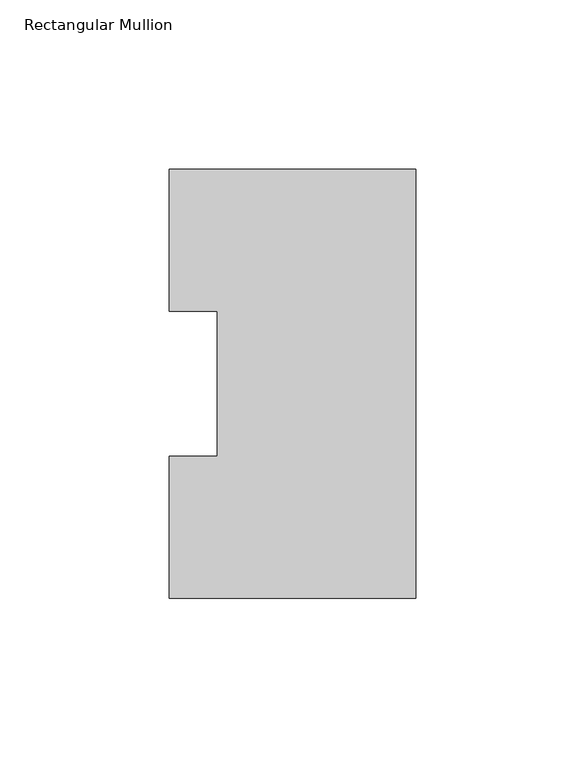
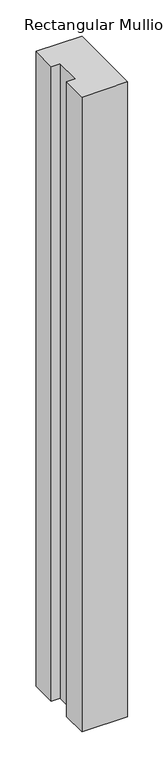
"""IFC4 building model written with IfcOpenShell, lengths in millimetres: member geometry, Rectangular Mullion."""

from ifc_helpers import new_model, si_unit, frame, origin, place, context, project, spatial, polyline, outline, extrude, source, transform, mapped, element, save


def rectangular_mullion_13c7aa56(model_context):
    return source(origin(), model_context, "Body", "SweptSolid", [
        extrude(outline(polyline([(0.0, 127.006348), (0.0, 0.0063465), (-73.025, 0.0063465), (-73.025, 42.0814491), (-58.7375, 42.0814491), (-58.7375, 84.93125), (-73.025, 84.93125), (-73.025, 127.006348), (0.0, 127.006348)])), frame((0.0, 0.0, -1069.975), z_axis=(0.0, 0.0, 1.0), x_axis=(1.0, 0.0, 0.0)), (0.0, 0.0, 1.0), 1069.975),
    ])


if __name__ == "__main__":
    model = new_model("IFC4")
    model_context = context("Model", 3, world=origin())
    ifc_project = project(units=[si_unit("LENGTHUNIT", "METRE", prefix="MILLI")], contexts=[model_context])
    site = spatial("IfcSite", under=ifc_project)
    building = spatial("IfcBuilding", under=site)
    placement = place(None, origin())
    rectangular_mullion_shape = rectangular_mullion_13c7aa56(model_context)
    element("IfcMember", 1, ObjectType="Rectangular Mullion", at=placement, inside=building, context=model_context, shape_type="MappedRepresentation", body=[
        mapped(rectangular_mullion_shape, transform((0.0, 0.0, 0.0), x_axis=(1.0, 0.0, 0.0), y_axis=(0.0, 1.0, 0.0), z_axis=(0.0, 0.0, 1.0))),
    ])
    save(model, "model.ifc")
